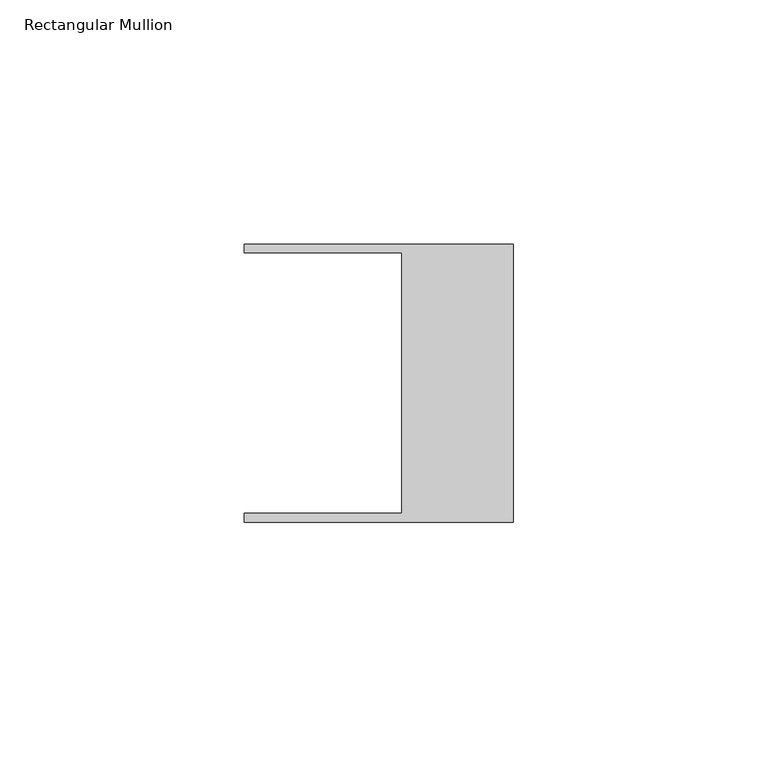
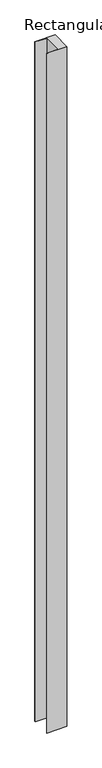
"""IFC4 building model written with IfcOpenShell, lengths in millimetres: member geometry, Rectangular Mullion."""

from ifc_helpers import new_model, si_unit, frame, origin, place, context, project, spatial, polyline, outline, extrude, source, transform, mapped, element, save


def rectangular_mullion_e3452bf2(model_context):
    return source(origin(), model_context, "Body", "SweptSolid", [
        extrude(outline(polyline([(-55.118, 26.67), (-55.118, 28.448), (0.0, 28.448), (0.0, -28.448), (-55.118, -28.448), (-55.118, -26.67), (-22.86, -26.67), (-22.86, 26.67), (-55.118, 26.67)])), frame((0.0, 0.0, -1970.7494509), z_axis=(0.0, 0.0, 1.0), x_axis=(1.0, 0.0, 0.0)), (0.0, 0.0, 1.0), 1970.7494509),
    ])


if __name__ == "__main__":
    model = new_model("IFC4")
    model_context = context("Model", 3, world=origin())
    ifc_project = project(units=[si_unit("LENGTHUNIT", "METRE", prefix="MILLI")], contexts=[model_context])
    site = spatial("IfcSite", under=ifc_project)
    building = spatial("IfcBuilding", under=site)
    placement = place(None, origin())
    rectangular_mullion_shape = rectangular_mullion_e3452bf2(model_context)
    element("IfcMember", 1, ObjectType="Rectangular Mullion", at=placement, inside=building, context=model_context, shape_type="MappedRepresentation", body=[
        mapped(rectangular_mullion_shape, transform((0.0, 0.0, 0.0), x_axis=(1.0, 0.0, 0.0), y_axis=(0.0, 1.0, 0.0), z_axis=(0.0, 0.0, 1.0))),
    ])
    save(model, "model.ifc")
